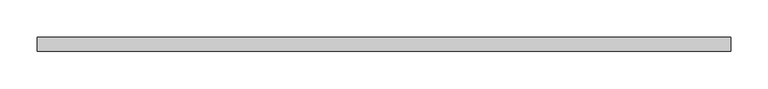
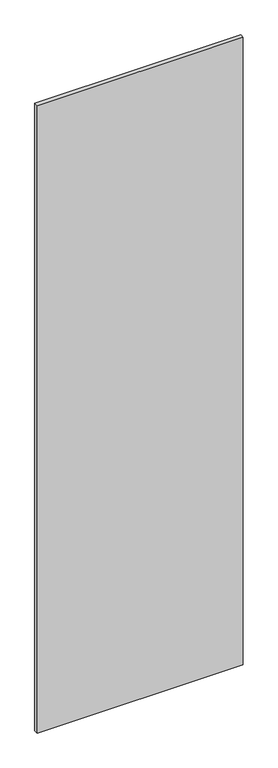
"""IFC4 building model written with IfcOpenShell, lengths in millimetres: proxy geometry."""

import ifcopenshell
import ifcopenshell.guid

model = None  # the IFC model being written
_history = None  # IfcOwnerHistory: only IFC2X3 demands one
_inside = {}  # id of a spatial element -> (the spatial element, [elements in it])
_under = {}  # id of a project, library or spatial element -> (it, [spatial elements below it])
_declared = {}  # id of a project -> (the project, [libraries it declares])
_typed = {}  # id of a type object -> (the type object, [elements of that type])
_made_of = {}  # id of a material, layer set ... -> (it, [elements and type objects made of it])


def new_model(schema):
    """Start an empty IFC model of exactly this schema.

    Asked for "IFC4X3", IfcOpenShell would pick the latest addendum, in which some entities
    have other attributes; the version numbers below select the first issue.
    IFC2X3 requires an IfcOwnerHistory on every rooted entity: one is made here for all.
    """
    global model, _history
    if schema == "IFC4X3":
        model = ifcopenshell.file(schema_version=(4, 3, 0, 0))
    else:
        model = ifcopenshell.file(schema=schema)
    _inside.clear()
    _under.clear()
    _declared.clear()
    _typed.clear()
    _made_of.clear()
    _history = None
    if model.schema == "IFC2X3":
        org = make("IfcOrganization", Name="unknown")
        user = make(
            "IfcPersonAndOrganization",
            ThePerson=make("IfcPerson", FamilyName="unknown"),
            TheOrganization=org,
        )
        app = make(
            "IfcApplication",
            ApplicationDeveloper=org,
            Version="unknown",
            ApplicationFullName="unknown",
            ApplicationIdentifier="unknown",
        )
        _history = make(
            "IfcOwnerHistory",
            OwningUser=user,
            OwningApplication=app,
            ChangeAction="ADDED",
            CreationDate=0,
        )
    return model


def make(cls, **values):
    """One entity of the class cls with the attributes given. An attribute that is None is left unset."""
    return model.create_entity(
        cls, **{name: value for name, value in values.items() if value is not None}
    )


def rooted(cls, **values):
    """An entity with a GlobalId (a new one), such as an element, a storey or a relation."""
    return make(cls, GlobalId=ifcopenshell.guid.new(), OwnerHistory=_history, **values)


def si_unit(unit_type, name, prefix=None):
    """IfcSIUnit, for example si_unit("LENGTHUNIT", "METRE", prefix="MILLI")."""
    return make("IfcSIUnit", UnitType=unit_type, Prefix=prefix, Name=name)


def assignment(units):
    """IfcUnitAssignment: the units of a project."""
    return None if units is None else make("IfcUnitAssignment", Units=units)


def point(xyz):
    """IfcCartesianPoint."""
    return None if xyz is None else make("IfcCartesianPoint", Coordinates=xyz)


def direction(xyz):
    """IfcDirection."""
    return None if xyz is None else make("IfcDirection", DirectionRatios=xyz)


def frame(location, z_axis=None, x_axis=None):
    """IfcAxis2Placement3D, a coordinate frame: its origin and axes. An axis left out is left unset."""
    return make(
        "IfcAxis2Placement3D",
        Location=point(location),
        Axis=direction(z_axis),
        RefDirection=direction(x_axis),
    )


def origin():
    """The frame at (0, 0, 0) with its axes left unset."""
    return frame((0.0, 0.0, 0.0))


def place(relative_to, where):
    """IfcLocalPlacement: puts the frame where relative to a parent placement (None: the world)."""
    return make(
        "IfcLocalPlacement", PlacementRelTo=relative_to, RelativePlacement=where
    )


def context(
    kind, dimensions, precision=None, world=None, true_north=None, identifier=None
):
    """IfcGeometricRepresentationContext, for example the 3D "Model" context."""
    return make(
        "IfcGeometricRepresentationContext",
        ContextIdentifier=identifier,
        ContextType=kind,
        CoordinateSpaceDimension=dimensions,
        Precision=precision,
        WorldCoordinateSystem=world,
        TrueNorth=true_north,
    )


def project(units=None, contexts=None):
    """IfcProject with its units and contexts."""
    return rooted(
        "IfcProject",
        Name="project",
        RepresentationContexts=contexts,
        UnitsInContext=assignment(units),
    )


def spatial(cls, under=None, at=None, **own):
    """A site, building, storey or space (cls), placed at a placement, below another one or the project."""
    s = rooted(cls, ObjectPlacement=at, **own)
    if under is not None:
        _under.setdefault(under.id(), (under, []))[1].append(s)
    return s


def polyline(points):
    """IfcPolyline through the points."""
    return make("IfcPolyline", Points=[point(p) for p in points])


def outline(outer, holes=None, kind="AREA"):
    """IfcArbitraryClosedProfileDef: a profile drawn as a closed curve; with holes, ...WithVoids."""
    if holes is None:
        return make("IfcArbitraryClosedProfileDef", ProfileType=kind, OuterCurve=outer)
    return make(
        "IfcArbitraryProfileDefWithVoids",
        ProfileType=kind,
        OuterCurve=outer,
        InnerCurves=holes,
    )


def extrude(swept, where, along, depth):
    """IfcExtrudedAreaSolid: the profile swept, set in the frame where, extruded along a direction by depth."""
    return make(
        "IfcExtrudedAreaSolid",
        SweptArea=swept,
        Position=where,
        ExtrudedDirection=direction(along),
        Depth=depth,
    )


def shape(context_of_items, identifier, shape_type, items):
    """IfcShapeRepresentation: the items that make up one representation, for example the "Body"."""
    return make(
        "IfcShapeRepresentation",
        ContextOfItems=context_of_items,
        RepresentationIdentifier=identifier,
        RepresentationType=shape_type,
        Items=items,
    )


def source(mapping_origin, context_of_items, identifier, shape_type, items):
    """IfcRepresentationMap: a shape defined once, which mapped items show again and again."""
    return make(
        "IfcRepresentationMap",
        MappingOrigin=mapping_origin,
        MappedRepresentation=shape(context_of_items, identifier, shape_type, items),
    )


def transform(
    local_origin,
    x_axis=None,
    y_axis=None,
    z_axis=None,
    scale=None,
    scale2=None,
    scale3=None,
    uniform=True,
):
    """IfcCartesianTransformationOperator3D, or its non-uniform kind. x_axis, y_axis, z_axis: its Axis1, 2, 3."""
    if uniform:
        return make(
            "IfcCartesianTransformationOperator3D",
            Axis1=direction(x_axis),
            Axis2=direction(y_axis),
            LocalOrigin=point(local_origin),
            Scale=scale,
            Axis3=direction(z_axis),
        )
    return make(
        "IfcCartesianTransformationOperator3DnonUniform",
        Axis1=direction(x_axis),
        Axis2=direction(y_axis),
        LocalOrigin=point(local_origin),
        Scale=scale,
        Axis3=direction(z_axis),
        Scale2=scale2,
        Scale3=scale3,
    )


def mapped(mapping_source, mapping_target):
    """IfcMappedItem: shows the shape of a source again, moved by a transform."""
    return make(
        "IfcMappedItem", MappingSource=mapping_source, MappingTarget=mapping_target
    )


def made_of(thing, what):
    """Note that an element or type object is made of a material, layer set ...; save() writes the relation."""
    if what is not None:
        _made_of.setdefault(what.id(), (what, []))[1].append(thing)
    return thing


def element(
    cls,
    number,
    at=None,
    inside=None,
    cuts=None,
    type_object=None,
    material=None,
    context=None,
    identifier="Body",
    shape_type=None,
    held_by="IfcProductDefinitionShape",
    body=None,
    shapes=None,
    **own,
):
    """One element of the class cls, such as IfcWall. Its Tag is "e" and its number.

    at: its placement. inside: the storey or other place that contains it. cuts: it is an
    opening in that element (IfcRelVoidsElement). A single representation is given by context,
    identifier, shape_type and body (its items); several are given by shapes. held_by: the class
    of the entity that holds the representations. save() writes the other relations.
    """
    e = rooted(cls, Tag="e%d" % number, ObjectPlacement=at, **own)
    if body is not None:
        shapes = [shape(context, identifier, shape_type, body)]
    if shapes is not None:
        e.Representation = make(held_by, Representations=shapes)
    if inside is not None:
        _inside.setdefault(inside.id(), (inside, []))[1].append(e)
    if cuts is not None:
        rooted(
            "IfcRelVoidsElement", RelatingBuildingElement=cuts, RelatedOpeningElement=e
        )
    if type_object is not None:
        _typed.setdefault(type_object.id(), (type_object, []))[1].append(e)
    return made_of(e, material)


def aggregate(whole, parts):
    """IfcRelAggregates: a whole, such as a stair, and the parts it consists of."""
    return rooted("IfcRelAggregates", RelatingObject=whole, RelatedObjects=parts)


def save(model, path):
    """Write the relations noted so far, then the file.

    IfcRelAggregates (storeys below a building ...), IfcRelContainedInSpatialStructure (elements
    in a storey), IfcRelDefinesByType, IfcRelAssociatesMaterial and IfcRelDeclares: one each for
    every whole, place, type object, material and project.
    """
    for whole, parts in _under.values():
        aggregate(whole, parts)
    for where, things in _inside.values():
        rooted(
            "IfcRelContainedInSpatialStructure",
            RelatedElements=things,
            RelatingStructure=where,
        )
    for kind, things in _typed.values():
        rooted("IfcRelDefinesByType", RelatedObjects=things, RelatingType=kind)
    for what, things in _made_of.values():
        rooted("IfcRelAssociatesMaterial", RelatedObjects=things, RelatingMaterial=what)
    for by, libraries in _declared.values():
        rooted("IfcRelDeclares", RelatingContext=by, RelatedDefinitions=libraries)
    model.write(path)


def specialty_equipment_6fe4bacc(model_context):
    return source(origin(), model_context, "Body", "SweptSolid", [
        extrude(outline(polyline([(468.0204, -9.525), (-468.0204, -9.525), (-468.0204, 9.525), (468.0204, 9.525), (468.0204, -9.525)])), frame((0.0, 0.0, 3.175), z_axis=(0.0, 0.0, 1.0), x_axis=(1.0, 0.0, 0.0)), (0.0, 0.0, 1.0), 3013.075),
    ])


if __name__ == "__main__":
    model = new_model("IFC4")
    model_context = context("Model", 3, world=origin())
    ifc_project = project(units=[si_unit("LENGTHUNIT", "METRE", prefix="MILLI")], contexts=[model_context])
    site = spatial("IfcSite", under=ifc_project)
    building = spatial("IfcBuilding", under=site)
    placement = place(None, origin())
    specialty_equipment_shape = specialty_equipment_6fe4bacc(model_context)
    element("IfcBuildingElementProxy", 1, Name="Specialty Equipment", at=placement, inside=building, context=model_context, shape_type="MappedRepresentation", body=[
        mapped(specialty_equipment_shape, transform((0.0, 0.0, 0.0), x_axis=(1.0, 0.0, 0.0), y_axis=(0.0, 1.0, 0.0), z_axis=(0.0, 0.0, 1.0))),
    ])
    save(model, "model.ifc")
